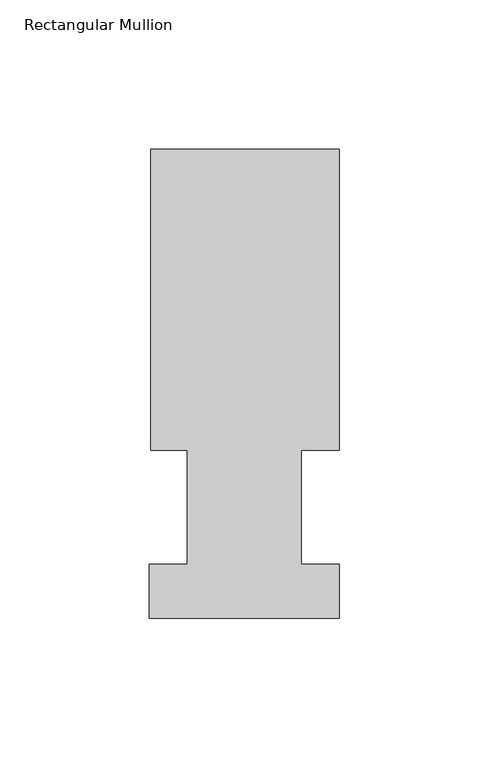
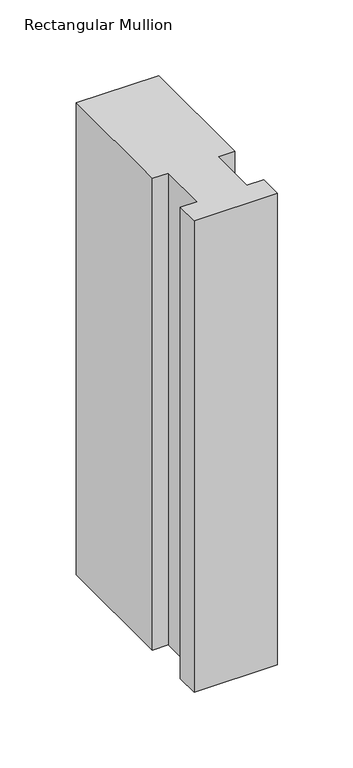
"""IFC4 building model written with IfcOpenShell, lengths in millimetres: member geometry, Rectangular Mullion."""

import ifcopenshell
import ifcopenshell.guid

model = None  # the IFC model being written
_history = None  # IfcOwnerHistory: only IFC2X3 demands one
_inside = {}  # id of a spatial element -> (the spatial element, [elements in it])
_under = {}  # id of a project, library or spatial element -> (it, [spatial elements below it])
_declared = {}  # id of a project -> (the project, [libraries it declares])
_typed = {}  # id of a type object -> (the type object, [elements of that type])
_made_of = {}  # id of a material, layer set ... -> (it, [elements and type objects made of it])


def new_model(schema):
    """Start an empty IFC model of exactly this schema.

    Asked for "IFC4X3", IfcOpenShell would pick the latest addendum, in which some entities
    have other attributes; the version numbers below select the first issue.
    IFC2X3 requires an IfcOwnerHistory on every rooted entity: one is made here for all.
    """
    global model, _history
    if schema == "IFC4X3":
        model = ifcopenshell.file(schema_version=(4, 3, 0, 0))
    else:
        model = ifcopenshell.file(schema=schema)
    _inside.clear()
    _under.clear()
    _declared.clear()
    _typed.clear()
    _made_of.clear()
    _history = None
    if model.schema == "IFC2X3":
        org = make("IfcOrganization", Name="unknown")
        user = make(
            "IfcPersonAndOrganization",
            ThePerson=make("IfcPerson", FamilyName="unknown"),
            TheOrganization=org,
        )
        app = make(
            "IfcApplication",
            ApplicationDeveloper=org,
            Version="unknown",
            ApplicationFullName="unknown",
            ApplicationIdentifier="unknown",
        )
        _history = make(
            "IfcOwnerHistory",
            OwningUser=user,
            OwningApplication=app,
            ChangeAction="ADDED",
            CreationDate=0,
        )
    return model


def make(cls, **values):
    """One entity of the class cls with the attributes given. An attribute that is None is left unset."""
    return model.create_entity(
        cls, **{name: value for name, value in values.items() if value is not None}
    )


def rooted(cls, **values):
    """An entity with a GlobalId (a new one), such as an element, a storey or a relation."""
    return make(cls, GlobalId=ifcopenshell.guid.new(), OwnerHistory=_history, **values)


def si_unit(unit_type, name, prefix=None):
    """IfcSIUnit, for example si_unit("LENGTHUNIT", "METRE", prefix="MILLI")."""
    return make("IfcSIUnit", UnitType=unit_type, Prefix=prefix, Name=name)


def assignment(units):
    """IfcUnitAssignment: the units of a project."""
    return None if units is None else make("IfcUnitAssignment", Units=units)


def point(xyz):
    """IfcCartesianPoint."""
    return None if xyz is None else make("IfcCartesianPoint", Coordinates=xyz)


def direction(xyz):
    """IfcDirection."""
    return None if xyz is None else make("IfcDirection", DirectionRatios=xyz)


def frame(location, z_axis=None, x_axis=None):
    """IfcAxis2Placement3D, a coordinate frame: its origin and axes. An axis left out is left unset."""
    return make(
        "IfcAxis2Placement3D",
        Location=point(location),
        Axis=direction(z_axis),
        RefDirection=direction(x_axis),
    )


def origin():
    """The frame at (0, 0, 0) with its axes left unset."""
    return frame((0.0, 0.0, 0.0))


def place(relative_to, where):
    """IfcLocalPlacement: puts the frame where relative to a parent placement (None: the world)."""
    return make(
        "IfcLocalPlacement", PlacementRelTo=relative_to, RelativePlacement=where
    )


def context(
    kind, dimensions, precision=None, world=None, true_north=None, identifier=None
):
    """IfcGeometricRepresentationContext, for example the 3D "Model" context."""
    return make(
        "IfcGeometricRepresentationContext",
        ContextIdentifier=identifier,
        ContextType=kind,
        CoordinateSpaceDimension=dimensions,
        Precision=precision,
        WorldCoordinateSystem=world,
        TrueNorth=true_north,
    )


def project(units=None, contexts=None):
    """IfcProject with its units and contexts."""
    return rooted(
        "IfcProject",
        Name="project",
        RepresentationContexts=contexts,
        UnitsInContext=assignment(units),
    )


def spatial(cls, under=None, at=None, **own):
    """A site, building, storey or space (cls), placed at a placement, below another one or the project."""
    s = rooted(cls, ObjectPlacement=at, **own)
    if under is not None:
        _under.setdefault(under.id(), (under, []))[1].append(s)
    return s


def polyline(points):
    """IfcPolyline through the points."""
    return make("IfcPolyline", Points=[point(p) for p in points])


def outline(outer, holes=None, kind="AREA"):
    """IfcArbitraryClosedProfileDef: a profile drawn as a closed curve; with holes, ...WithVoids."""
    if holes is None:
        return make("IfcArbitraryClosedProfileDef", ProfileType=kind, OuterCurve=outer)
    return make(
        "IfcArbitraryProfileDefWithVoids",
        ProfileType=kind,
        OuterCurve=outer,
        InnerCurves=holes,
    )


def extrude(swept, where, along, depth):
    """IfcExtrudedAreaSolid: the profile swept, set in the frame where, extruded along a direction by depth."""
    return make(
        "IfcExtrudedAreaSolid",
        SweptArea=swept,
        Position=where,
        ExtrudedDirection=direction(along),
        Depth=depth,
    )


def shape(context_of_items, identifier, shape_type, items):
    """IfcShapeRepresentation: the items that make up one representation, for example the "Body"."""
    return make(
        "IfcShapeRepresentation",
        ContextOfItems=context_of_items,
        RepresentationIdentifier=identifier,
        RepresentationType=shape_type,
        Items=items,
    )


def source(mapping_origin, context_of_items, identifier, shape_type, items):
    """IfcRepresentationMap: a shape defined once, which mapped items show again and again."""
    return make(
        "IfcRepresentationMap",
        MappingOrigin=mapping_origin,
        MappedRepresentation=shape(context_of_items, identifier, shape_type, items),
    )


def transform(
    local_origin,
    x_axis=None,
    y_axis=None,
    z_axis=None,
    scale=None,
    scale2=None,
    scale3=None,
    uniform=True,
):
    """IfcCartesianTransformationOperator3D, or its non-uniform kind. x_axis, y_axis, z_axis: its Axis1, 2, 3."""
    if uniform:
        return make(
            "IfcCartesianTransformationOperator3D",
            Axis1=direction(x_axis),
            Axis2=direction(y_axis),
            LocalOrigin=point(local_origin),
            Scale=scale,
            Axis3=direction(z_axis),
        )
    return make(
        "IfcCartesianTransformationOperator3DnonUniform",
        Axis1=direction(x_axis),
        Axis2=direction(y_axis),
        LocalOrigin=point(local_origin),
        Scale=scale,
        Axis3=direction(z_axis),
        Scale2=scale2,
        Scale3=scale3,
    )


def mapped(mapping_source, mapping_target):
    """IfcMappedItem: shows the shape of a source again, moved by a transform."""
    return make(
        "IfcMappedItem", MappingSource=mapping_source, MappingTarget=mapping_target
    )


def made_of(thing, what):
    """Note that an element or type object is made of a material, layer set ...; save() writes the relation."""
    if what is not None:
        _made_of.setdefault(what.id(), (what, []))[1].append(thing)
    return thing


def element(
    cls,
    number,
    at=None,
    inside=None,
    cuts=None,
    type_object=None,
    material=None,
    context=None,
    identifier="Body",
    shape_type=None,
    held_by="IfcProductDefinitionShape",
    body=None,
    shapes=None,
    **own,
):
    """One element of the class cls, such as IfcWall. Its Tag is "e" and its number.

    at: its placement. inside: the storey or other place that contains it. cuts: it is an
    opening in that element (IfcRelVoidsElement). A single representation is given by context,
    identifier, shape_type and body (its items); several are given by shapes. held_by: the class
    of the entity that holds the representations. save() writes the other relations.
    """
    e = rooted(cls, Tag="e%d" % number, ObjectPlacement=at, **own)
    if body is not None:
        shapes = [shape(context, identifier, shape_type, body)]
    if shapes is not None:
        e.Representation = make(held_by, Representations=shapes)
    if inside is not None:
        _inside.setdefault(inside.id(), (inside, []))[1].append(e)
    if cuts is not None:
        rooted(
            "IfcRelVoidsElement", RelatingBuildingElement=cuts, RelatedOpeningElement=e
        )
    if type_object is not None:
        _typed.setdefault(type_object.id(), (type_object, []))[1].append(e)
    return made_of(e, material)


def aggregate(whole, parts):
    """IfcRelAggregates: a whole, such as a stair, and the parts it consists of."""
    return rooted("IfcRelAggregates", RelatingObject=whole, RelatedObjects=parts)


def save(model, path):
    """Write the relations noted so far, then the file.

    IfcRelAggregates (storeys below a building ...), IfcRelContainedInSpatialStructure (elements
    in a storey), IfcRelDefinesByType, IfcRelAssociatesMaterial and IfcRelDeclares: one each for
    every whole, place, type object, material and project.
    """
    for whole, parts in _under.values():
        aggregate(whole, parts)
    for where, things in _inside.values():
        rooted(
            "IfcRelContainedInSpatialStructure",
            RelatedElements=things,
            RelatingStructure=where,
        )
    for kind, things in _typed.values():
        rooted("IfcRelDefinesByType", RelatedObjects=things, RelatingType=kind)
    for what, things in _made_of.values():
        rooted("IfcRelAssociatesMaterial", RelatedObjects=things, RelatingMaterial=what)
    for by, libraries in _declared.values():
        rooted("IfcRelDeclares", RelatingContext=by, RelatedDefinitions=libraries)
    model.write(path)


def rectangular_mullion_b590e98d(model_context):
    return source(origin(), model_context, "Body", "SweptSolid", [
        extrude(outline(polyline([(-63.0936, 56.6539062), (-63.0936, 157.3395062), (0.0, 157.3395062), (0.0, 56.6539063), (-12.6746, 56.6539062), (-12.6746, 18.5539062), (0.0, 18.5539062), (0.0, 0.5199062), (-63.5, 0.5199062), (-63.5, 18.5539062), (-50.8, 18.5539062), (-50.8, 56.6539062), (-63.0936, 56.6539062)])), frame((0.0, 0.0, -381.0), z_axis=(0.0, 0.0, 1.0), x_axis=(1.0, 0.0, 0.0)), (0.0, 0.0, 1.0), 381.0),
    ])


if __name__ == "__main__":
    model = new_model("IFC4")
    model_context = context("Model", 3, world=origin())
    ifc_project = project(units=[si_unit("LENGTHUNIT", "METRE", prefix="MILLI")], contexts=[model_context])
    site = spatial("IfcSite", under=ifc_project)
    building = spatial("IfcBuilding", under=site)
    placement = place(None, origin())
    rectangular_mullion_shape = rectangular_mullion_b590e98d(model_context)
    element("IfcMember", 1, ObjectType="Rectangular Mullion", at=placement, inside=building, context=model_context, shape_type="MappedRepresentation", body=[
        mapped(rectangular_mullion_shape, transform((0.0, 0.0, 0.0), x_axis=(1.0, 0.0, 0.0), y_axis=(0.0, 1.0, 0.0), z_axis=(0.0, 0.0, 1.0))),
    ])
    save(model, "model.ifc")
